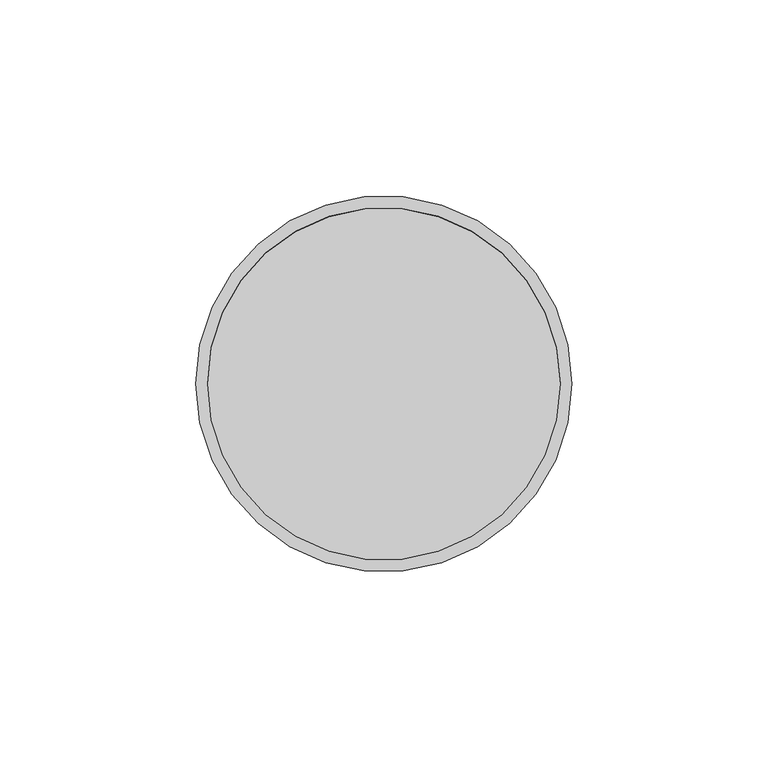
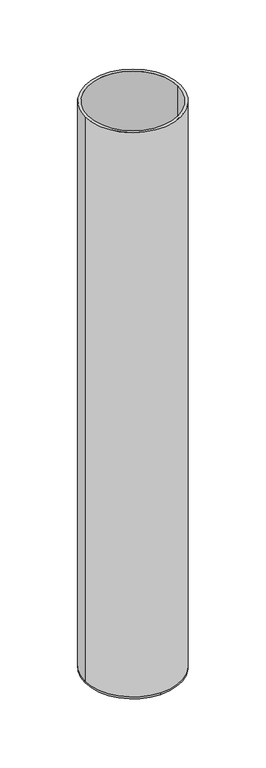
"""IFC4 building model written with IfcOpenShell, lengths in millimetres: beam geometry."""

from ifc_helpers import new_model, si_unit, frame, origin, place, context, project, spatial, polyline, circle_curve, source, transform, mapped, element, save
from ifc_brep_helpers import plane_surface, cylinder_surface, revolved_surface, advanced_brep


def beam_c2975adc(model_context):
    return source(origin(), model_context, "Body", "AdvancedBrep", [
        advanced_brep(
        [(48.0, 0.0, 0.0), (-48.0, 0.0, 0.0), (45.0, 0.0, 0.0), (-45.0, 0.0, 0.0), (45.0, 0.0, -598.0), (-45.0, 0.0, -598.0), (48.0, 0.0, -598.0), (0.0, 48.0, -598.0), (-48.0, 0.0, -598.0), (0.0, -48.0, -598.0), (0.0, 48.0, -600.0), (0.0, -48.0, -600.0)],
        [
            (0, 1, circle_curve(frame((0.0, 0.0, 0.0), z_axis=(0.0, 0.0, 1.0), x_axis=(-1.0, 0.0, 0.0)), 48.0)),
            (1, 0, circle_curve(frame((0.0, 0.0, 0.0), z_axis=(0.0, 0.0, 1.0), x_axis=(-1.0, 0.0, 0.0)), 48.0)),
            (2, 3, circle_curve(frame((0.0, 0.0, 0.0), z_axis=(0.0, 0.0, -1.0), x_axis=(-1.0, 0.0, 0.0)), 45.0)),
            (3, 2, circle_curve(frame((0.0, 0.0, 0.0), z_axis=(0.0, 0.0, -1.0), x_axis=(-1.0, 0.0, 0.0)), 45.0)),
            (2, 4),
            (4, 5, circle_curve(frame((0.0, 0.0, -598.0), z_axis=(0.0, 0.0, -1.0), x_axis=(-1.0, 0.0, 0.0)), 45.0)),
            (5, 3),
            (5, 4, circle_curve(frame((0.0, 0.0, -598.0), z_axis=(0.0, 0.0, -1.0), x_axis=(-1.0, 0.0, 0.0)), 45.0)),
            (0, 6),
            (6, 7, circle_curve(frame((0.0, 0.0, -598.0), z_axis=(0.0, 0.0, 1.0), x_axis=(-1.0, 0.0, 0.0)), 48.0)),
            (7, 8, circle_curve(frame((0.0, 0.0, -598.0), z_axis=(0.0, 0.0, 1.0), x_axis=(-1.0, 0.0, 0.0)), 48.0)),
            (8, 1),
            (8, 9, circle_curve(frame((0.0, 0.0, -598.0), z_axis=(0.0, 0.0, 1.0), x_axis=(-1.0, 0.0, 0.0)), 48.0)),
            (9, 6, circle_curve(frame((0.0, 0.0, -598.0), z_axis=(0.0, 0.0, 1.0), x_axis=(-1.0, 0.0, 0.0)), 48.0)),
            (10, 11, circle_curve(frame((0.0, 0.0, -600.0), z_axis=(0.0, 0.0, -1.0), x_axis=(0.0, -1.0, 0.0)), 48.0)),
            (11, 10, circle_curve(frame((0.0, 0.0, -600.0), z_axis=(0.0, 0.0, -1.0), x_axis=(0.0, -1.0, 0.0)), 48.0)),
            (11, 9),
            (7, 10),
        ],
        [
            plane_surface(frame((0.0, 0.0, 0.0), z_axis=(0.0, 0.0, 1.0), x_axis=(0.0, -1.0, 0.0))),
            revolved_surface(polyline([(-45.0, 0.0, 0.0), (-45.0, 0.0, -598.0)]), (0.0, 0.0, -598.0), (0.0, 0.0, 1.0)),
            cylinder_surface(frame((0.0, 0.0, -598.0), z_axis=(0.0, 0.0, -1.0), x_axis=(-1.0, 0.0, 0.0)), 48.0),
            plane_surface(frame((0.0, 0.0, -598.0), z_axis=(0.0, 0.0, 1.0), x_axis=(0.0, -1.0, 0.0))),
            plane_surface(frame((0.0, 0.0, -600.0), z_axis=(0.0, 0.0, -1.0), x_axis=(0.0, -1.0, 0.0))),
            cylinder_surface(frame((0.0, 0.0, -598.0), z_axis=(0.0, 0.0, 1.0), x_axis=(0.0, -1.0, 0.0)), 48.0),
        ],
        [
            (0, [[1, 2], [3, 4]]),
            (1, [[-3, 5, 6, 7]]),
            (1, [[-4, -7, 8, -5]]),
            (2, [[-1, 9, 10, 11, 12]]),
            (2, [[-2, -12, 13, 14, -9]]),
            (3, [[-6, -8]]),
            (4, [[15, 16]]),
            (5, [[-16, 17, -13, -11, 18]]),
            (5, [[-15, -18, -10, -14, -17]]),
        ],
    ),
    ])


if __name__ == "__main__":
    model = new_model("IFC4")
    model_context = context("Model", 3, world=origin())
    ifc_project = project(units=[si_unit("LENGTHUNIT", "METRE", prefix="MILLI")], contexts=[model_context])
    site = spatial("IfcSite", under=ifc_project)
    building = spatial("IfcBuilding", under=site)
    placement = place(None, origin())
    beam_shape = beam_c2975adc(model_context)
    element("IfcBeam", 1, at=placement, inside=building, context=model_context, shape_type="MappedRepresentation", body=[
        mapped(beam_shape, transform((0.0, 0.0, 0.0), x_axis=(1.0, 0.0, 0.0), y_axis=(0.0, 1.0, 0.0), z_axis=(0.0, 0.0, 1.0))),
    ])
    save(model, "model.ifc")
